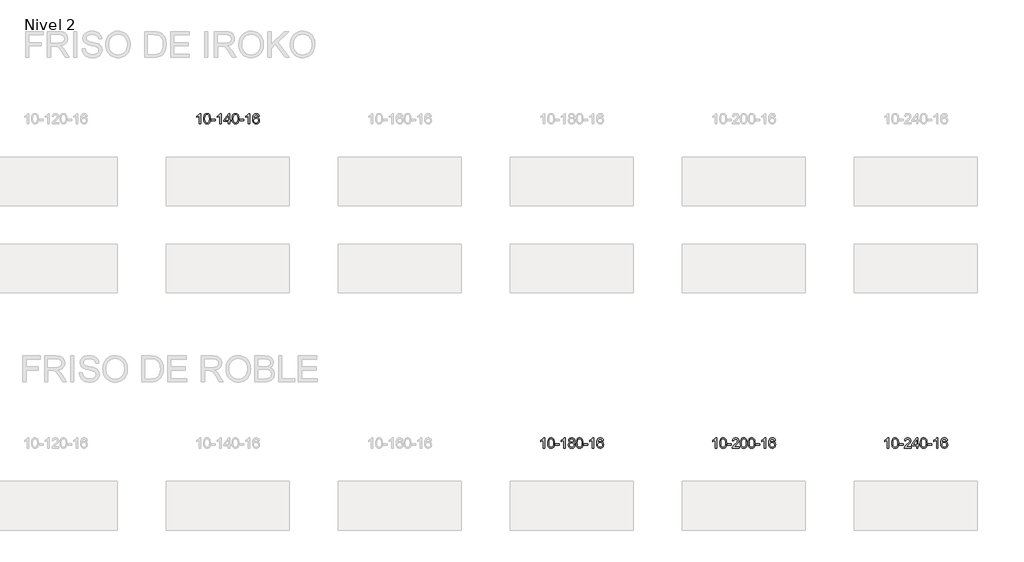
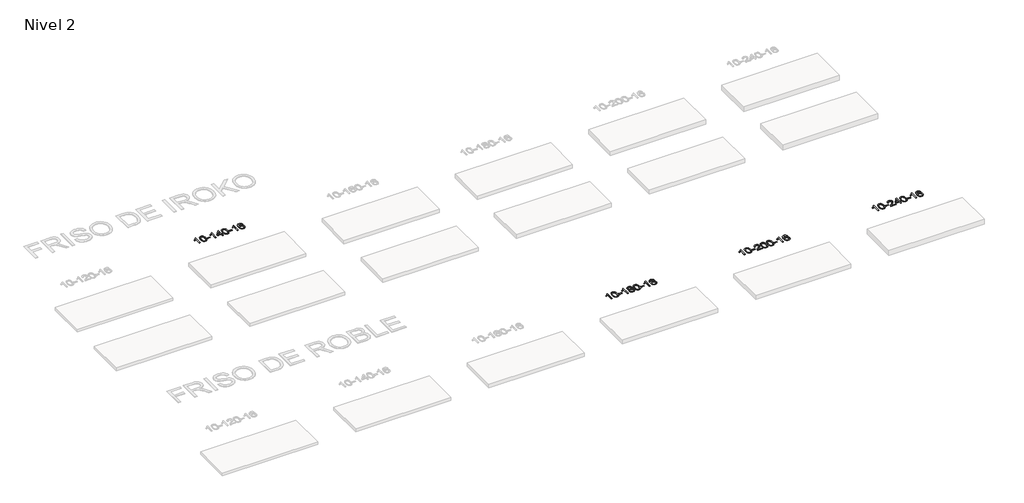
# One storey, part 43 of 51: 4 proxies.
"""IFC4 building model written with IfcOpenShell, lengths in millimetres."""

from ifc_helpers import new_model, si_unit, frame, origin, place, context, project, spatial, polyline, outline, extrude, element, save

model = new_model("IFC4")

# Units and contexts
model_context = context("Model", 3, world=origin())
ifc_project = project(units=[si_unit("LENGTHUNIT", "METRE", prefix="MILLI")], contexts=[model_context])

# Site, building, storey
site = spatial("IfcSite", under=ifc_project)
building = spatial("IfcBuilding", under=site)
storey = spatial("IfcBuildingStorey", under=building, Name="Nivel 2", Elevation=3000.0)

# Proxies
placement = place(None, origin())
element("IfcBuildingElementProxy", 1, Name="Texto de modelo 1", ObjectType="Texto de modelo 1", at=placement, inside=storey, context=model_context, shape_type="SweptSolid", body=[
    extrude(outline(polyline([(31530.5538842, -39113.543941), (31480.3257291, -39113.543941), (31480.3257291, -38800.4027867), (31459.3564554, -38817.3621467), (31432.7463244, -38834.2969812), (31379.869419, -38859.6563134), (31379.869419, -38812.1750106), (31419.3186316, -38790.7152275), (31453.494869, -38765.1842171), (31480.4360937, -38738.0345258), (31498.1802686, -38711.7187004), (31530.5538842, -38711.7187004), (31530.5538842, -39113.543941)])), frame((0.0, 0.0, 3000.0), z_axis=(0.0, 0.0, 1.0), x_axis=(1.0, 0.0, 0.0)), (0.0, 0.0, 1.0), 10.0),
    extrude(outline(polyline([(31649.8457525, -38915.8686823), (31653.5368352, -38851.5506468), (31664.6100833, -38800.2556339), (31682.9551321, -38761.1988288), (31694.8131951, -38745.9654485), (31708.4616171, -38733.5954164), (31723.9463834, -38724.0243532), (31741.3134792, -38717.1878794), (31781.6946596, -38711.7187004), (31812.6457981, -38714.956062), (31840.3595751, -38724.6681467), (31863.5361408, -38740.4748097), (31880.8756455, -38761.9959064), (31893.9722445, -38789.0474958), (31904.4200932, -38821.4456369), (31911.2626983, -38862.5871067), (31913.5435667, -38915.8686823), (31909.8892722, -38979.8188358), (31898.9263887, -39030.9912213), (31880.6917045, -39070.0848147), (31868.8612327, -39085.3641802), (31855.2220077, -39097.7985916), (31839.7188473, -39107.4340342), (31822.2965691, -39114.3164932), (31781.6946596, -39119.8224604), (31754.0299335, -39117.4312275), (31729.5044672, -39110.2575285), (31708.1182606, -39098.3013637), (31689.8713136, -39081.5627329), (31672.3601306, -39051.3044388), (31659.8521428, -39013.6026657), (31652.3473501, -38968.4574135), (31649.8457525, -38915.8686823)]), holes=[polyline([(31700.0739076, -38915.7705804), (31701.5454356, -38959.4351076), (31705.9600195, -38994.7793703), (31713.3176594, -39021.8033685), (31723.6183553, -39040.5071023), (31736.0772922, -39053.2327536), (31749.9096552, -39062.3225046), (31765.1154443, -39067.7763552), (31781.6946596, -39069.5943053), (31798.2738748, -39067.7702238), (31813.479664, -39062.2979791), (31827.312027, -39053.1775713), (31839.7709639, -39040.4090004), (31850.0716598, -39021.6746098), (31857.4292997, -38994.6567429), (31861.8438836, -38959.3553998), (31863.3154116, -38915.7705804), (31861.8929345, -38873.2618159), (31857.6255034, -38838.5398869), (31850.5131181, -38811.6047935), (31840.5557788, -38792.4565356), (31828.3053084, -38779.1085506), (31814.3135298, -38769.5742755), (31798.5804432, -38763.8537105), (31781.1060484, -38761.9468555), (31764.6126723, -38763.62685), (31749.6644005, -38768.6668333), (31736.2612332, -38777.0668055), (31724.4031702, -38788.8267666), (31713.7591178, -38809.673413), (31706.1562232, -38837.7795975), (31701.5944865, -38873.1453199), (31700.0739076, -38915.7705804)])]), frame((0.0, 0.0, 3000.0), z_axis=(0.0, 0.0, 1.0), x_axis=(1.0, 0.0, 0.0)), (0.0, 0.0, 1.0), 10.0),
    extrude(outline(polyline([(31944.9361636, -38994.2520727), (31944.9361636, -38944.0239177), (32101.8991482, -38944.0239177), (32101.8991482, -38994.2520727), (31944.9361636, -38994.2520727)])), frame((0.0, 0.0, 3000.0), z_axis=(0.0, 0.0, 1.0), x_axis=(1.0, 0.0, 0.0)), (0.0, 0.0, 1.0), 10.0),
    extrude(outline(polyline([(32334.2043654, -39113.543941), (32283.9762103, -39113.543941), (32283.9762103, -38800.4027867), (32263.0069366, -38817.3621467), (32236.3968056, -38834.2969812), (32183.5199002, -38859.6563134), (32183.5199002, -38812.1750106), (32222.9691128, -38790.7152275), (32257.1453502, -38765.1842171), (32284.0865749, -38738.0345258), (32301.8307498, -38711.7187004), (32334.2043654, -38711.7187004), (32334.2043654, -39113.543941)])), frame((0.0, 0.0, 3000.0), z_axis=(0.0, 0.0, 1.0), x_axis=(1.0, 0.0, 0.0)), (0.0, 0.0, 1.0), 10.0),
    extrude(outline(polyline([(32616.7377377, -39113.543941), (32616.7377377, -39019.3661503), (32434.6606756, -39019.3661503), (32434.6606756, -38969.1379952), (32629.2947765, -38717.9972198), (32666.9658928, -38717.9972198), (32666.9658928, -38969.1379952), (32717.1940479, -38969.1379952), (32717.1940479, -39019.3661503), (32666.9658928, -39019.3661503), (32666.9658928, -39113.543941), (32616.7377377, -39113.543941)]), holes=[polyline([(32616.7377377, -38969.1379952), (32616.7377377, -38813.9408442), (32496.4648507, -38969.1379952), (32616.7377377, -38969.1379952)])]), frame((0.0, 0.0, 3000.0), z_axis=(0.0, 0.0, 1.0), x_axis=(1.0, 0.0, 0.0)), (0.0, 0.0, 1.0), 10.0),
    extrude(outline(polyline([(32761.1436835, -38915.8686823), (32764.8347662, -38851.5506468), (32775.9080143, -38800.2556339), (32794.2530631, -38761.1988288), (32806.1111261, -38745.9654485), (32819.7595481, -38733.5954164), (32835.2443144, -38724.0243532), (32852.6114103, -38717.1878794), (32892.9925906, -38711.7187004), (32923.9437291, -38714.956062), (32951.6575061, -38724.6681467), (32974.8340718, -38740.4748097), (32992.1735765, -38761.9959064), (33005.2701755, -38789.0474958), (33015.7180242, -38821.4456369), (33022.5606293, -38862.5871067), (33024.8414977, -38915.8686823), (33021.1872032, -38979.8188358), (33010.2243197, -39030.9912213), (32991.9896355, -39070.0848147), (32980.1591637, -39085.3641802), (32966.5199387, -39097.7985916), (32951.0167783, -39107.4340342), (32933.5945001, -39114.3164932), (32892.9925906, -39119.8224604), (32865.3278646, -39117.4312275), (32840.8023982, -39110.2575285), (32819.4161916, -39098.3013637), (32801.1692446, -39081.5627329), (32783.6580616, -39051.3044388), (32771.1500738, -39013.6026657), (32763.6452811, -38968.4574135), (32761.1436835, -38915.8686823)]), holes=[polyline([(32811.3718386, -38915.7705804), (32812.8433666, -38959.4351076), (32817.2579505, -38994.7793703), (32824.6155904, -39021.8033685), (32834.9162863, -39040.5071023), (32847.3752232, -39053.2327536), (32861.2075862, -39062.3225046), (32876.4133754, -39067.7763552), (32892.9925906, -39069.5943053), (32909.5718059, -39067.7702238), (32924.777595, -39062.2979791), (32938.609958, -39053.1775713), (32951.0688949, -39040.4090004), (32961.3695908, -39021.6746098), (32968.7272307, -38994.6567429), (32973.1418146, -38959.3553998), (32974.6133426, -38915.7705804), (32973.1908656, -38873.2618159), (32968.9234344, -38838.5398869), (32961.8110492, -38811.6047935), (32951.8537098, -38792.4565356), (32939.6032394, -38779.1085506), (32925.6114609, -38769.5742755), (32909.8783742, -38763.8537105), (32892.4039794, -38761.9468555), (32875.9106033, -38763.62685), (32860.9623316, -38768.6668333), (32847.5591642, -38777.0668055), (32835.7011012, -38788.8267666), (32825.0570488, -38809.673413), (32817.4541543, -38837.7795975), (32812.8924175, -38873.1453199), (32811.3718386, -38915.7705804)])]), frame((0.0, 0.0, 3000.0), z_axis=(0.0, 0.0, 1.0), x_axis=(1.0, 0.0, 0.0)), (0.0, 0.0, 1.0), 10.0),
    extrude(outline(polyline([(33056.2340946, -38994.2520727), (33056.2340946, -38944.0239177), (33213.1970792, -38944.0239177), (33213.1970792, -38994.2520727), (33056.2340946, -38994.2520727)])), frame((0.0, 0.0, 3000.0), z_axis=(0.0, 0.0, 1.0), x_axis=(1.0, 0.0, 0.0)), (0.0, 0.0, 1.0), 10.0),
    extrude(outline(polyline([(33445.5022964, -39113.543941), (33395.2741414, -39113.543941), (33395.2741414, -38800.4027867), (33374.3048676, -38817.3621467), (33347.6947367, -38834.2969812), (33294.8178312, -38859.6563134), (33294.8178312, -38812.1750106), (33334.2670438, -38790.7152275), (33368.4432812, -38765.1842171), (33395.384506, -38738.0345258), (33413.1286809, -38711.7187004), (33445.5022964, -38711.7187004), (33445.5022964, -39113.543941)])), frame((0.0, 0.0, 3000.0), z_axis=(0.0, 0.0, 1.0), x_axis=(1.0, 0.0, 0.0)), (0.0, 0.0, 1.0), 10.0),
    extrude(outline(polyline([(33822.2134595, -38818.45353), (33771.9853044, -38824.7320494), (33763.8919005, -38799.838701), (33752.9535425, -38782.8425528), (33730.1693843, -38767.1707798), (33702.6272856, -38761.9468555), (33679.2790416, -38764.9880133), (33657.3042238, -38774.1114868), (33638.4318774, -38793.3271897), (33623.0176218, -38819.7779052), (33612.6065614, -38857.1915041), (33608.7438004, -38909.2958573), (33628.891471, -38885.7881978), (33653.0367927, -38869.2212453), (33679.8308646, -38859.398796), (33707.9247863, -38856.1246463), (33732.0578452, -38858.3625951), (33754.3269687, -38865.0764415), (33774.7321567, -38876.2661855), (33793.2734092, -38891.9318271), (33808.6815334, -38911.1413987), (33819.6873365, -38932.9629323), (33826.2908183, -38957.3964282), (33828.4919789, -38984.4418862), (33824.3471751, -39020.4084826), (33811.9127636, -39053.7508541), (33792.2188142, -39082.0287168), (33766.2953962, -39102.8017868), (33735.3197322, -39115.567292), (33700.4690446, -39119.8224604), (33670.5265158, -39117.0020318), (33643.4841235, -39108.5407459), (33619.3418676, -39094.4386028), (33598.099748, -39074.6956023), (33580.7817031, -39048.4778788), (33568.411671, -39014.9515663), (33560.9896518, -38974.1166649), (33558.5156454, -38925.9731744), (33561.2624976, -38871.9987544), (33569.5030543, -38825.9337972), (33583.2373154, -38787.7783029), (33602.465281, -38757.5322716), (33623.3057961, -38737.4888342), (33647.4695118, -38723.1720932), (33674.9564282, -38714.5820486), (33705.7665453, -38711.7187004), (33728.9001914, -38713.4906654), (33749.8388083, -38718.8065602), (33768.582396, -38727.6663849), (33785.1309544, -38740.0701395), (33799.0368938, -38755.6008911), (33809.8526245, -38773.8417067), (33817.5781464, -38794.7925863), (33822.2134595, -38818.45353)]), holes=[polyline([(33608.7438004, -38983.6570713), (33611.6500682, -39005.913932), (33620.3688715, -39027.1652486), (33633.9069289, -39045.436721), (33651.2709591, -39058.7540492), (33672.2279701, -39066.8842413), (33696.5449699, -39069.5943053), (33729.6911377, -39063.9779736), (33743.6062742, -39056.9575588), (33755.7494457, -39047.1289782), (33765.5994861, -39034.8907705), (33772.6352293, -39020.6414745), (33778.2638238, -38986.1096179), (33772.7088057, -38952.9634501), (33765.765033, -38939.3426193), (33756.0437513, -38927.6899571), (33743.8637916, -38918.3549514), (33729.5439849, -38911.6870903), (33694.4848308, -38906.3528014), (33661.3877139, -38911.6870903), (33633.7107252, -38927.6899571), (33622.7876956, -38939.1893351), (33614.9855316, -38952.3503135), (33610.3042332, -38967.1728922), (33608.7438004, -38983.6570713)])]), frame((0.0, 0.0, 3000.0), z_axis=(0.0, 0.0, 1.0), x_axis=(1.0, 0.0, 0.0)), (0.0, 0.0, 1.0), 10.0),
])
element("IfcBuildingElementProxy", 2, Name="Texto de modelo 1", ObjectType="Texto de modelo 1", at=placement, inside=storey, context=model_context, shape_type="SweptSolid", body=[
    extrude(outline(polyline([(44960.4349539, -51771.9246439), (44910.2067988, -51771.9246439), (44910.2067988, -51458.7834896), (44889.2375251, -51475.7428496), (44862.6273941, -51492.6776841), (44809.7504886, -51518.0370163), (44809.7504886, -51470.5557135), (44849.1997013, -51449.0959304), (44883.3759386, -51423.56492), (44910.3171634, -51396.4152287), (44928.0613383, -51370.0994033), (44960.4349539, -51370.0994033), (44960.4349539, -51771.9246439)])), frame((0.0, 0.0, 3000.0), z_axis=(0.0, 0.0, 1.0), x_axis=(1.0, 0.0, 0.0)), (0.0, 0.0, 1.0), 10.0),
    extrude(outline(polyline([(45079.7268222, -51574.2493852), (45083.4179048, -51509.9313497), (45094.4911529, -51458.6363368), (45112.8362017, -51419.5795317), (45124.6942647, -51404.3461514), (45138.3426867, -51391.9761193), (45153.827453, -51382.4050561), (45171.1945489, -51375.5685823), (45211.5757292, -51370.0994033), (45242.5268678, -51373.3367649), (45270.2406447, -51383.0488496), (45293.4172104, -51398.8555126), (45310.7567151, -51420.3766093), (45323.8533142, -51447.4281987), (45334.3011628, -51479.8263398), (45341.1437679, -51520.9678096), (45343.4246363, -51574.2493852), (45339.7703418, -51638.1995387), (45328.8074584, -51689.3719242), (45310.5727741, -51728.4655176), (45298.7423023, -51743.7448831), (45285.1030773, -51756.1792945), (45269.5999169, -51765.8147371), (45252.1776388, -51772.6971961), (45211.5757292, -51778.2031633), (45183.9110032, -51775.8119304), (45159.3855369, -51768.6382314), (45137.9993302, -51756.6820666), (45119.7523832, -51739.9434358), (45102.2412003, -51709.6851417), (45089.7332124, -51671.9833686), (45082.2284197, -51626.8381164), (45079.7268222, -51574.2493852)]), holes=[polyline([(45129.9549772, -51574.1512833), (45131.4265052, -51617.8158105), (45135.8410892, -51653.1600732), (45143.1987291, -51680.1840714), (45153.4994249, -51698.8878052), (45165.9583618, -51711.6134565), (45179.7907249, -51720.7032075), (45194.996514, -51726.1570581), (45211.5757292, -51727.9750082), (45228.1549445, -51726.1509267), (45243.3607336, -51720.678682), (45257.1930966, -51711.5582742), (45269.6520335, -51698.7897033), (45279.9527294, -51680.0553127), (45287.3103693, -51653.0374458), (45291.7249532, -51617.7361027), (45293.1964812, -51574.1512833), (45291.7740042, -51531.6425188), (45287.506573, -51496.9205898), (45280.3941878, -51469.9854964), (45270.4368485, -51450.8372385), (45258.186378, -51437.4892535), (45244.1945995, -51427.9549784), (45228.4615128, -51422.2344134), (45210.987118, -51420.3275584), (45194.4937419, -51422.0075529), (45179.5454702, -51427.0475362), (45166.1423028, -51435.4475084), (45154.2842399, -51447.2074695), (45143.6401875, -51468.0541159), (45136.0372929, -51496.1603004), (45131.4755562, -51531.5260228), (45129.9549772, -51574.1512833)])]), frame((0.0, 0.0, 3000.0), z_axis=(0.0, 0.0, 1.0), x_axis=(1.0, 0.0, 0.0)), (0.0, 0.0, 1.0), 10.0),
    extrude(outline(polyline([(45374.8172332, -51652.6327756), (45374.8172332, -51602.4046206), (45531.7802178, -51602.4046206), (45531.7802178, -51652.6327756), (45374.8172332, -51652.6327756)])), frame((0.0, 0.0, 3000.0), z_axis=(0.0, 0.0, 1.0), x_axis=(1.0, 0.0, 0.0)), (0.0, 0.0, 1.0), 10.0),
    extrude(outline(polyline([(45764.0854351, -51771.9246439), (45713.85728, -51771.9246439), (45713.85728, -51458.7834896), (45692.8880063, -51475.7428496), (45666.2778753, -51492.6776841), (45613.4009698, -51518.0370163), (45613.4009698, -51470.5557135), (45652.8501824, -51449.0959304), (45687.0264198, -51423.56492), (45713.9676446, -51396.4152287), (45731.7118195, -51370.0994033), (45764.0854351, -51370.0994033), (45764.0854351, -51771.9246439)])), frame((0.0, 0.0, 3000.0), z_axis=(0.0, 0.0, 1.0), x_axis=(1.0, 0.0, 0.0)), (0.0, 0.0, 1.0), 10.0),
    extrude(outline(polyline([(45956.5612949, -51550.6068356), (45929.6691211, -51537.3630838), (45910.7967747, -51519.4104424), (45899.6499503, -51497.1167935), (45895.9343421, -51470.8500191), (45897.9576931, -51450.3651233), (45904.027746, -51431.5847475), (45914.1445009, -51414.5088915), (45928.3079577, -51399.1375555), (45945.8375348, -51386.4333639), (45966.0526504, -51377.3589414), (45988.9533046, -51371.9142878), (46014.5394974, -51370.0994033), (46040.2483175, -51371.9572074), (46063.3206499, -51377.5306196), (46083.7564948, -51386.81964), (46101.555852, -51399.8242685), (46115.9768262, -51415.4960415), (46126.277522, -51432.7864953), (46132.4579396, -51451.6956299), (46134.5180787, -51472.2234452), (46130.8515215, -51497.6440911), (46119.8518499, -51519.5575952), (46101.3964364, -51537.399872), (46075.3626539, -51550.6068356), (46106.2770042, -51566.536126), (46128.7791196, -51589.9947346), (46142.501118, -51619.8544899), (46147.0751175, -51654.9872204), (46144.8065119, -51680.0399843), (46138.000695, -51703.0080835), (46126.6576668, -51723.8915181), (46110.7774273, -51742.6902881), (46091.1938424, -51758.227171), (46068.740778, -51769.3249445), (46043.418234, -51775.9836086), (46015.2262104, -51778.2031633), (45987.0341869, -51775.9744116), (45961.7116429, -51769.2881563), (45939.2585784, -51758.1443975), (45919.6749936, -51742.5431353), (45903.7947541, -51723.6125409), (45892.4517259, -51702.480786), (45885.645909, -51679.1478704), (45883.3773034, -51653.6137943), (45888.1352438, -51617.1199004), (45902.4090652, -51587.1007296), (45925.4630036, -51564.5863515), (45956.5612949, -51550.6068356)]), holes=[polyline([(45946.1624972, -51472.3215471), (45950.6138693, -51494.247314), (45963.9679858, -51511.7584969), (45985.832439, -51523.2364152), (46015.8148216, -51527.0623879), (46045.0982284, -51523.2609407), (46066.6315879, -51511.8565988), (46079.8753397, -51494.934027), (46084.2899237, -51474.57789), (46079.7281869, -51453.4492007), (46066.0429767, -51435.9748059), (46044.2153117, -51424.2393703), (46015.2262104, -51420.3275584), (45986.0531682, -51424.1535312), (45964.2622914, -51435.6314494), (45950.6874457, -51452.4559193), (45946.1624972, -51472.3215471)]), polyline([(45933.6054584, -51651.8479607), (45935.7023858, -51671.0636636), (45941.9931679, -51689.6662298), (45953.6059762, -51705.8898258), (45971.6689822, -51717.968618), (45993.3004435, -51725.4734107), (46015.6186179, -51727.9750082), (46049.807118, -51722.7142957), (46063.7007947, -51716.1384051), (46075.4607558, -51706.9321581), (46091.5004108, -51683.0320912), (46096.8469624, -51653.4175906), (46091.3287325, -51623.3003179), (46074.7740427, -51598.8729534), (46062.6952505, -51589.4306489), (46048.5317937, -51582.6861456), (46013.9508862, -51577.290543), (45980.2406327, -51582.6125692), (45966.5033059, -51589.265102), (45954.8445123, -51598.5786478), (45938.9152219, -51622.5400284), (45933.6054584, -51651.8479607)])]), frame((0.0, 0.0, 3000.0), z_axis=(0.0, 0.0, 1.0), x_axis=(1.0, 0.0, 0.0)), (0.0, 0.0, 1.0), 10.0),
    extrude(outline(polyline([(46191.0247532, -51574.2493852), (46194.7158359, -51509.9313497), (46205.7890839, -51458.6363368), (46224.1341328, -51419.5795317), (46235.9921957, -51404.3461514), (46249.6406178, -51391.9761193), (46265.1253841, -51382.4050561), (46282.4924799, -51375.5685823), (46322.8736603, -51370.0994033), (46353.8247988, -51373.3367649), (46381.5385758, -51383.0488496), (46404.7151415, -51398.8555126), (46422.0546462, -51420.3766093), (46435.1512452, -51447.4281987), (46445.5990939, -51479.8263398), (46452.441699, -51520.9678096), (46454.7225673, -51574.2493852), (46451.0682729, -51638.1995387), (46440.1053894, -51689.3719242), (46421.8707052, -51728.4655176), (46410.0402333, -51743.7448831), (46396.4010084, -51756.1792945), (46380.897848, -51765.8147371), (46363.4755698, -51772.6971961), (46322.8736603, -51778.2031633), (46295.2089342, -51775.8119304), (46270.6834679, -51768.6382314), (46249.2972612, -51756.6820666), (46231.0503143, -51739.9434358), (46213.5391313, -51709.6851417), (46201.0311435, -51671.9833686), (46193.5263508, -51626.8381164), (46191.0247532, -51574.2493852)]), holes=[polyline([(46241.2529083, -51574.1512833), (46242.7244362, -51617.8158105), (46247.1390202, -51653.1600732), (46254.4966601, -51680.1840714), (46264.797356, -51698.8878052), (46277.2562929, -51711.6134565), (46291.0886559, -51720.7032075), (46306.294445, -51726.1570581), (46322.8736603, -51727.9750082), (46339.4528755, -51726.1509267), (46354.6586646, -51720.678682), (46368.4910277, -51711.5582742), (46380.9499646, -51698.7897033), (46391.2506604, -51680.0553127), (46398.6083003, -51653.0374458), (46403.0228843, -51617.7361027), (46404.4944123, -51574.1512833), (46403.0719352, -51531.6425188), (46398.8045041, -51496.9205898), (46391.6921188, -51469.9854964), (46381.7347795, -51450.8372385), (46369.4843091, -51437.4892535), (46355.4925305, -51427.9549784), (46339.7594438, -51422.2344134), (46322.2850491, -51420.3275584), (46305.791673, -51422.0075529), (46290.8434012, -51427.0475362), (46277.4402339, -51435.4475084), (46265.5821709, -51447.2074695), (46254.9381185, -51468.0541159), (46247.3352239, -51496.1603004), (46242.7734872, -51531.5260228), (46241.2529083, -51574.1512833)])]), frame((0.0, 0.0, 3000.0), z_axis=(0.0, 0.0, 1.0), x_axis=(1.0, 0.0, 0.0)), (0.0, 0.0, 1.0), 10.0),
    extrude(outline(polyline([(46486.1151643, -51652.6327756), (46486.1151643, -51602.4046206), (46643.0781489, -51602.4046206), (46643.0781489, -51652.6327756), (46486.1151643, -51652.6327756)])), frame((0.0, 0.0, 3000.0), z_axis=(0.0, 0.0, 1.0), x_axis=(1.0, 0.0, 0.0)), (0.0, 0.0, 1.0), 10.0),
    extrude(outline(polyline([(46875.3833661, -51771.9246439), (46825.155211, -51771.9246439), (46825.155211, -51458.7834896), (46804.1859373, -51475.7428496), (46777.5758063, -51492.6776841), (46724.6989009, -51518.0370163), (46724.6989009, -51470.5557135), (46764.1481135, -51449.0959304), (46798.3243508, -51423.56492), (46825.2655756, -51396.4152287), (46843.0097505, -51370.0994033), (46875.3833661, -51370.0994033), (46875.3833661, -51771.9246439)])), frame((0.0, 0.0, 3000.0), z_axis=(0.0, 0.0, 1.0), x_axis=(1.0, 0.0, 0.0)), (0.0, 0.0, 1.0), 10.0),
    extrude(outline(polyline([(47252.0945291, -51476.8342329), (47201.8663741, -51483.1127523), (47193.7729702, -51458.2194039), (47182.8346122, -51441.2232557), (47160.050454, -51425.5514827), (47132.5083552, -51420.3275584), (47109.1601113, -51423.3687162), (47087.1852934, -51432.4921897), (47068.3129471, -51451.7078926), (47052.8986915, -51478.1586081), (47042.487631, -51515.572207), (47038.6248701, -51567.6765602), (47058.7725407, -51544.1689007), (47082.9178623, -51527.6019482), (47109.7119343, -51517.7794989), (47137.805856, -51514.5053492), (47161.9389149, -51516.743298), (47184.2080383, -51523.4571444), (47204.6132263, -51534.6468884), (47223.1544789, -51550.31253), (47238.5626031, -51569.5221016), (47249.5684061, -51591.3436352), (47256.1718879, -51615.7771311), (47258.3730485, -51642.8225891), (47254.2282447, -51678.7891855), (47241.7938333, -51712.131557), (47222.0998838, -51740.4094197), (47196.1764659, -51761.1824897), (47165.2008019, -51773.9479949), (47130.3501142, -51778.2031633), (47100.4075855, -51775.3827347), (47073.3651932, -51766.9214488), (47049.2229372, -51752.8193057), (47027.9808177, -51733.0763052), (47010.6627728, -51706.8585817), (46998.2927407, -51673.3322692), (46990.8707214, -51632.4973678), (46988.396715, -51584.3538773), (46991.1435672, -51530.3794573), (46999.3841239, -51484.3145001), (47013.1183851, -51446.1590058), (47032.3463507, -51415.9129745), (47053.1868657, -51395.8695371), (47077.3505814, -51381.5527961), (47104.8374978, -51372.9627515), (47135.6476149, -51370.0994033), (47158.7812611, -51371.8713683), (47179.719878, -51377.1872631), (47198.4634656, -51386.0470878), (47215.012024, -51398.4508424), (47228.9179635, -51413.981594), (47239.7336941, -51432.2224096), (47247.459216, -51453.1732892), (47252.0945291, -51476.8342329)]), holes=[polyline([(47038.6248701, -51642.0377742), (47041.5311378, -51664.2946349), (47050.2499411, -51685.5459515), (47063.7879986, -51703.8174239), (47081.1520287, -51717.1347521), (47102.1090397, -51725.2649442), (47126.4260396, -51727.9750082), (47159.5722074, -51722.3586765), (47173.4873438, -51715.3382617), (47185.6305154, -51705.5096811), (47195.4805558, -51693.2714734), (47202.5162989, -51679.0221774), (47208.1448935, -51644.4903208), (47202.5898753, -51611.344153), (47195.6461027, -51597.7233222), (47185.9248209, -51586.07066), (47173.7448612, -51576.7356543), (47159.4250546, -51570.0677932), (47124.3659004, -51564.7335043), (47091.2687836, -51570.0677932), (47063.5917948, -51586.07066), (47052.6687652, -51597.570038), (47044.8666013, -51610.7310164), (47040.1853029, -51625.5535951), (47038.6248701, -51642.0377742)])]), frame((0.0, 0.0, 3000.0), z_axis=(0.0, 0.0, 1.0), x_axis=(1.0, 0.0, 0.0)), (0.0, 0.0, 1.0), 10.0),
])
element("IfcBuildingElementProxy", 3, Name="Texto de modelo 1", ObjectType="Texto de modelo 1", at=placement, inside=storey, context=model_context, shape_type="SweptSolid", body=[
    extrude(outline(polyline([(51675.3754887, -51771.9246439), (51625.1473336, -51771.9246439), (51625.1473336, -51458.7834896), (51604.1780599, -51475.7428496), (51577.5679289, -51492.6776841), (51524.6910235, -51518.0370163), (51524.6910235, -51470.5557135), (51564.1402361, -51449.0959304), (51598.3164734, -51423.56492), (51625.2576982, -51396.4152287), (51643.0018731, -51370.0994033), (51675.3754887, -51370.0994033), (51675.3754887, -51771.9246439)])), frame((0.0, 0.0, 3000.0), z_axis=(0.0, 0.0, 1.0), x_axis=(1.0, 0.0, 0.0)), (0.0, 0.0, 1.0), 10.0),
    extrude(outline(polyline([(51794.667357, -51574.2493852), (51798.3584397, -51509.9313497), (51809.4316877, -51458.6363368), (51827.7767366, -51419.5795317), (51839.6347995, -51404.3461514), (51853.2832216, -51391.9761193), (51868.7679879, -51382.4050561), (51886.1350837, -51375.5685823), (51926.5162641, -51370.0994033), (51957.4674026, -51373.3367649), (51985.1811796, -51383.0488496), (52008.3577453, -51398.8555126), (52025.69725, -51420.3766093), (52038.793849, -51447.4281987), (52049.2416976, -51479.8263398), (52056.0843028, -51520.9678096), (52058.3651711, -51574.2493852), (52054.7108766, -51638.1995387), (52043.7479932, -51689.3719242), (52025.513309, -51728.4655176), (52013.6828371, -51743.7448831), (52000.0436122, -51756.1792945), (51984.5404517, -51765.8147371), (51967.1181736, -51772.6971961), (51926.5162641, -51778.2031633), (51898.851538, -51775.8119304), (51874.3260717, -51768.6382314), (51852.939865, -51756.6820666), (51834.6929181, -51739.9434358), (51817.1817351, -51709.6851417), (51804.6737473, -51671.9833686), (51797.1689546, -51626.8381164), (51794.667357, -51574.2493852)]), holes=[polyline([(51844.8955121, -51574.1512833), (51846.36704, -51617.8158105), (51850.781624, -51653.1600732), (51858.1392639, -51680.1840714), (51868.4399598, -51698.8878052), (51880.8988967, -51711.6134565), (51894.7312597, -51720.7032075), (51909.9370488, -51726.1570581), (51926.5162641, -51727.9750082), (51943.0954793, -51726.1509267), (51958.3012684, -51720.678682), (51972.1336315, -51711.5582742), (51984.5925684, -51698.7897033), (51994.8932642, -51680.0553127), (52002.2509041, -51653.0374458), (52006.6654881, -51617.7361027), (52008.1370161, -51574.1512833), (52006.714539, -51531.6425188), (52002.4471079, -51496.9205898), (51995.3347226, -51469.9854964), (51985.3773833, -51450.8372385), (51973.1269128, -51437.4892535), (51959.1351343, -51427.9549784), (51943.4020476, -51422.2344134), (51925.9276529, -51420.3275584), (51909.4342767, -51422.0075529), (51894.486005, -51427.0475362), (51881.0828377, -51435.4475084), (51869.2247747, -51447.2074695), (51858.5807223, -51468.0541159), (51850.9778277, -51496.1603004), (51846.416091, -51531.5260228), (51844.8955121, -51574.1512833)])]), frame((0.0, 0.0, 3000.0), z_axis=(0.0, 0.0, 1.0), x_axis=(1.0, 0.0, 0.0)), (0.0, 0.0, 1.0), 10.0),
    extrude(outline(polyline([(52089.7577681, -51652.6327756), (52089.7577681, -51602.4046206), (52246.7207527, -51602.4046206), (52246.7207527, -51652.6327756), (52089.7577681, -51652.6327756)])), frame((0.0, 0.0, 3000.0), z_axis=(0.0, 0.0, 1.0), x_axis=(1.0, 0.0, 0.0)), (0.0, 0.0, 1.0), 10.0),
    extrude(outline(polyline([(52548.0896831, -51721.6964889), (52548.0896831, -51771.9246439), (52284.391869, -51771.9246439), (52285.495515, -51754.2417827), (52289.7874716, -51737.2946855), (52302.1728321, -51710.2308333), (52320.2971517, -51683.9763216), (52346.5148752, -51656.4955366), (52383.1804474, -51625.7528645), (52437.381728, -51577.6093741), (52469.9024964, -51542.0719734), (52486.1628806, -51513.2300249), (52491.5830087, -51485.1728914), (52486.4694489, -51460.0220257), (52471.1287697, -51439.1140656), (52447.5475338, -51425.0241852), (52417.712304, -51420.3275584), (52386.3810208, -51424.9138206), (52362.0394954, -51438.6726072), (52346.3309342, -51460.5247978), (52340.8985434, -51489.3912716), (52290.6703884, -51483.1127523), (52294.9899361, -51457.183203), (52302.8472824, -51434.5278034), (52314.2424272, -51415.1465536), (52329.1753705, -51399.0394536), (52347.3027558, -51386.3781816), (52368.2812266, -51377.3344159), (52392.1107828, -51371.9081565), (52418.7914245, -51370.0994033), (52445.7111895, -51372.1104916), (52469.6695045, -51378.1437563), (52490.6663693, -51388.1991975), (52508.7017842, -51402.2768152), (52523.1871377, -51419.334277), (52533.5338188, -51438.3292507), (52539.7418275, -51459.2617362), (52541.8111637, -51482.1317336), (52539.5793463, -51506.1544279), (52532.883894, -51529.7601892), (52521.0013055, -51553.7706208), (52503.2080797, -51579.0073257), (52474.8443779, -51609.1368611), (52431.2503614, -51647.8257842), (52373.4683627, -51696.1409529), (52350.8068318, -51721.6964889), (52548.0896831, -51721.6964889)])), frame((0.0, 0.0, 3000.0), z_axis=(0.0, 0.0, 1.0), x_axis=(1.0, 0.0, 0.0)), (0.0, 0.0, 1.0), 10.0),
    extrude(outline(polyline([(52598.3178382, -51574.2493852), (52602.0089209, -51509.9313497), (52613.0821689, -51458.6363368), (52631.4272177, -51419.5795317), (52643.2852807, -51404.3461514), (52656.9337027, -51391.9761193), (52672.4184691, -51382.4050561), (52689.7855649, -51375.5685823), (52730.1667453, -51370.0994033), (52761.1178838, -51373.3367649), (52788.8316608, -51383.0488496), (52812.0082264, -51398.8555126), (52829.3477312, -51420.3766093), (52842.4443302, -51447.4281987), (52852.8921788, -51479.8263398), (52859.734784, -51520.9678096), (52862.0156523, -51574.2493852), (52858.3613578, -51638.1995387), (52847.3984744, -51689.3719242), (52829.1637902, -51728.4655176), (52817.3333183, -51743.7448831), (52803.6940934, -51756.1792945), (52788.1909329, -51765.8147371), (52770.7686548, -51772.6971961), (52730.1667453, -51778.2031633), (52702.5020192, -51775.8119304), (52677.9765529, -51768.6382314), (52656.5903462, -51756.6820666), (52638.3433993, -51739.9434358), (52620.8322163, -51709.6851417), (52608.3242285, -51671.9833686), (52600.8194358, -51626.8381164), (52598.3178382, -51574.2493852)]), holes=[polyline([(52648.5459933, -51574.1512833), (52650.0175212, -51617.8158105), (52654.4321052, -51653.1600732), (52661.7897451, -51680.1840714), (52672.090441, -51698.8878052), (52684.5493779, -51711.6134565), (52698.3817409, -51720.7032075), (52713.58753, -51726.1570581), (52730.1667453, -51727.9750082), (52746.7459605, -51726.1509267), (52761.9517496, -51720.678682), (52775.7841127, -51711.5582742), (52788.2430496, -51698.7897033), (52798.5437454, -51680.0553127), (52805.9013853, -51653.0374458), (52810.3159693, -51617.7361027), (52811.7874973, -51574.1512833), (52810.3650202, -51531.6425188), (52806.0975891, -51496.9205898), (52798.9852038, -51469.9854964), (52789.0278645, -51450.8372385), (52776.777394, -51437.4892535), (52762.7856155, -51427.9549784), (52747.0525288, -51422.2344134), (52729.5781341, -51420.3275584), (52713.0847579, -51422.0075529), (52698.1364862, -51427.0475362), (52684.7333189, -51435.4475084), (52672.8752559, -51447.2074695), (52662.2312035, -51468.0541159), (52654.6283089, -51496.1603004), (52650.0665722, -51531.5260228), (52648.5459933, -51574.1512833)])]), frame((0.0, 0.0, 3000.0), z_axis=(0.0, 0.0, 1.0), x_axis=(1.0, 0.0, 0.0)), (0.0, 0.0, 1.0), 10.0),
    extrude(outline(polyline([(52905.965288, -51574.2493852), (52909.6563707, -51509.9313497), (52920.7296188, -51458.6363368), (52939.0746676, -51419.5795317), (52950.9327306, -51404.3461514), (52964.5811526, -51391.9761193), (52980.0659189, -51382.4050561), (52997.4330148, -51375.5685823), (53037.8141951, -51370.0994033), (53068.7653336, -51373.3367649), (53096.4791106, -51383.0488496), (53119.6556763, -51398.8555126), (53136.995181, -51420.3766093), (53150.09178, -51447.4281987), (53160.5396287, -51479.8263398), (53167.3822338, -51520.9678096), (53169.6631022, -51574.2493852), (53166.0088077, -51638.1995387), (53155.0459242, -51689.3719242), (53136.81124, -51728.4655176), (53124.9807682, -51743.7448831), (53111.3415432, -51756.1792945), (53095.8383828, -51765.8147371), (53078.4161046, -51772.6971961), (53037.8141951, -51778.2031633), (53010.1494691, -51775.8119304), (52985.6240027, -51768.6382314), (52964.2377961, -51756.6820666), (52945.9908491, -51739.9434358), (52928.4796661, -51709.6851417), (52915.9716783, -51671.9833686), (52908.4668856, -51626.8381164), (52905.965288, -51574.2493852)]), holes=[polyline([(52956.1934431, -51574.1512833), (52957.6649711, -51617.8158105), (52962.079555, -51653.1600732), (52969.4371949, -51680.1840714), (52979.7378908, -51698.8878052), (52992.1968277, -51711.6134565), (53006.0291907, -51720.7032075), (53021.2349798, -51726.1570581), (53037.8141951, -51727.9750082), (53054.3934103, -51726.1509267), (53069.5991995, -51720.678682), (53083.4315625, -51711.5582742), (53095.8904994, -51698.7897033), (53106.1911953, -51680.0553127), (53113.5488352, -51653.0374458), (53117.9634191, -51617.7361027), (53119.4349471, -51574.1512833), (53118.01247, -51531.6425188), (53113.7450389, -51496.9205898), (53106.6326537, -51469.9854964), (53096.6753143, -51450.8372385), (53084.4248439, -51437.4892535), (53070.4330653, -51427.9549784), (53054.6999787, -51422.2344134), (53037.2255839, -51420.3275584), (53020.7322078, -51422.0075529), (53005.783936, -51427.0475362), (52992.3807687, -51435.4475084), (52980.5227057, -51447.2074695), (52969.8786533, -51468.0541159), (52962.2757587, -51496.1603004), (52957.714022, -51531.5260228), (52956.1934431, -51574.1512833)])]), frame((0.0, 0.0, 3000.0), z_axis=(0.0, 0.0, 1.0), x_axis=(1.0, 0.0, 0.0)), (0.0, 0.0, 1.0), 10.0),
    extrude(outline(polyline([(53201.0556991, -51652.6327756), (53201.0556991, -51602.4046206), (53358.0186837, -51602.4046206), (53358.0186837, -51652.6327756), (53201.0556991, -51652.6327756)])), frame((0.0, 0.0, 3000.0), z_axis=(0.0, 0.0, 1.0), x_axis=(1.0, 0.0, 0.0)), (0.0, 0.0, 1.0), 10.0),
    extrude(outline(polyline([(53590.3239009, -51771.9246439), (53540.0957458, -51771.9246439), (53540.0957458, -51458.7834896), (53519.1264721, -51475.7428496), (53492.5163411, -51492.6776841), (53439.6394357, -51518.0370163), (53439.6394357, -51470.5557135), (53479.0886483, -51449.0959304), (53513.2648857, -51423.56492), (53540.2061104, -51396.4152287), (53557.9502853, -51370.0994033), (53590.3239009, -51370.0994033), (53590.3239009, -51771.9246439)])), frame((0.0, 0.0, 3000.0), z_axis=(0.0, 0.0, 1.0), x_axis=(1.0, 0.0, 0.0)), (0.0, 0.0, 1.0), 10.0),
    extrude(outline(polyline([(53967.035064, -51476.8342329), (53916.8069089, -51483.1127523), (53908.713505, -51458.2194039), (53897.775147, -51441.2232557), (53874.9909888, -51425.5514827), (53847.4488901, -51420.3275584), (53824.1006461, -51423.3687162), (53802.1258283, -51432.4921897), (53783.2534819, -51451.7078926), (53767.8392263, -51478.1586081), (53757.4281659, -51515.572207), (53753.5654049, -51567.6765602), (53773.7130755, -51544.1689007), (53797.8583971, -51527.6019482), (53824.6524691, -51517.7794989), (53852.7463908, -51514.5053492), (53876.8794497, -51516.743298), (53899.1485731, -51523.4571444), (53919.5537611, -51534.6468884), (53938.0950137, -51550.31253), (53953.5031379, -51569.5221016), (53964.5089409, -51591.3436352), (53971.1124228, -51615.7771311), (53973.3135834, -51642.8225891), (53969.1687795, -51678.7891855), (53956.7343681, -51712.131557), (53937.0404186, -51740.4094197), (53911.1170007, -51761.1824897), (53880.1413367, -51773.9479949), (53845.290649, -51778.2031633), (53815.3481203, -51775.3827347), (53788.305728, -51766.9214488), (53764.163472, -51752.8193057), (53742.9213525, -51733.0763052), (53725.6033076, -51706.8585817), (53713.2332755, -51673.3322692), (53705.8112562, -51632.4973678), (53703.3372498, -51584.3538773), (53706.0841021, -51530.3794573), (53714.3246588, -51484.3145001), (53728.0589199, -51446.1590058), (53747.2868855, -51415.9129745), (53768.1274005, -51395.8695371), (53792.2911163, -51381.5527961), (53819.7780327, -51372.9627515), (53850.5881498, -51370.0994033), (53873.7217959, -51371.8713683), (53894.6604128, -51377.1872631), (53913.4040004, -51386.0470878), (53929.9525589, -51398.4508424), (53943.8584983, -51413.981594), (53954.6742289, -51432.2224096), (53962.3997508, -51453.1732892), (53967.035064, -51476.8342329)]), holes=[polyline([(53753.5654049, -51642.0377742), (53756.4716727, -51664.2946349), (53765.190476, -51685.5459515), (53778.7285334, -51703.8174239), (53796.0925635, -51717.1347521), (53817.0495745, -51725.2649442), (53841.3665744, -51727.9750082), (53874.5127422, -51722.3586765), (53888.4278787, -51715.3382617), (53900.5710502, -51705.5096811), (53910.4210906, -51693.2714734), (53917.4568338, -51679.0221774), (53923.0854283, -51644.4903208), (53917.5304102, -51611.344153), (53910.5866375, -51597.7233222), (53900.8653558, -51586.07066), (53888.685396, -51576.7356543), (53874.3655894, -51570.0677932), (53839.3064352, -51564.7335043), (53806.2093184, -51570.0677932), (53778.5323296, -51586.07066), (53767.6093001, -51597.570038), (53759.8071361, -51610.7310164), (53755.1258377, -51625.5535951), (53753.5654049, -51642.0377742)])]), frame((0.0, 0.0, 3000.0), z_axis=(0.0, 0.0, 1.0), x_axis=(1.0, 0.0, 0.0)), (0.0, 0.0, 1.0), 10.0),
])
element("IfcBuildingElementProxy", 4, Name="Texto de modelo 1", ObjectType="Texto de modelo 1", at=placement, inside=storey, context=model_context, shape_type="SweptSolid", body=[
    extrude(outline(polyline([(58390.3160235, -51771.9246439), (58340.0878684, -51771.9246439), (58340.0878684, -51458.7834896), (58319.1185947, -51475.7428496), (58292.5084637, -51492.6776841), (58239.6315583, -51518.0370163), (58239.6315583, -51470.5557135), (58279.0807709, -51449.0959304), (58313.2570083, -51423.56492), (58340.198233, -51396.4152287), (58357.9424079, -51370.0994033), (58390.3160235, -51370.0994033), (58390.3160235, -51771.9246439)])), frame((0.0, 0.0, 3000.0), z_axis=(0.0, 0.0, 1.0), x_axis=(1.0, 0.0, 0.0)), (0.0, 0.0, 1.0), 10.0),
    extrude(outline(polyline([(58509.6078918, -51574.2493852), (58513.2989745, -51509.9313497), (58524.3722226, -51458.6363368), (58542.7172714, -51419.5795317), (58554.5753344, -51404.3461514), (58568.2237564, -51391.9761193), (58583.7085227, -51382.4050561), (58601.0756185, -51375.5685823), (58641.4567989, -51370.0994033), (58672.4079374, -51373.3367649), (58700.1217144, -51383.0488496), (58723.2982801, -51398.8555126), (58740.6377848, -51420.3766093), (58753.7343838, -51447.4281987), (58764.1822325, -51479.8263398), (58771.0248376, -51520.9678096), (58773.305706, -51574.2493852), (58769.6514115, -51638.1995387), (58758.688528, -51689.3719242), (58740.4538438, -51728.4655176), (58728.623372, -51743.7448831), (58714.984147, -51756.1792945), (58699.4809866, -51765.8147371), (58682.0587084, -51772.6971961), (58641.4567989, -51778.2031633), (58613.7920728, -51775.8119304), (58589.2666065, -51768.6382314), (58567.8803998, -51756.6820666), (58549.6334529, -51739.9434358), (58532.1222699, -51709.6851417), (58519.6142821, -51671.9833686), (58512.1094894, -51626.8381164), (58509.6078918, -51574.2493852)]), holes=[polyline([(58559.8360469, -51574.1512833), (58561.3075749, -51617.8158105), (58565.7221588, -51653.1600732), (58573.0797987, -51680.1840714), (58583.3804946, -51698.8878052), (58595.8394315, -51711.6134565), (58609.6717945, -51720.7032075), (58624.8775836, -51726.1570581), (58641.4567989, -51727.9750082), (58658.0360141, -51726.1509267), (58673.2418033, -51720.678682), (58687.0741663, -51711.5582742), (58699.5331032, -51698.7897033), (58709.8337991, -51680.0553127), (58717.191439, -51653.0374458), (58721.6060229, -51617.7361027), (58723.0775509, -51574.1512833), (58721.6550738, -51531.6425188), (58717.3876427, -51496.9205898), (58710.2752574, -51469.9854964), (58700.3179181, -51450.8372385), (58688.0674477, -51437.4892535), (58674.0756691, -51427.9549784), (58658.3425825, -51422.2344134), (58640.8681877, -51420.3275584), (58624.3748116, -51422.0075529), (58609.4265398, -51427.0475362), (58596.0233725, -51435.4475084), (58584.1653095, -51447.2074695), (58573.5212571, -51468.0541159), (58565.9183625, -51496.1603004), (58561.3566258, -51531.5260228), (58559.8360469, -51574.1512833)])]), frame((0.0, 0.0, 3000.0), z_axis=(0.0, 0.0, 1.0), x_axis=(1.0, 0.0, 0.0)), (0.0, 0.0, 1.0), 10.0),
    extrude(outline(polyline([(58804.6983029, -51652.6327756), (58804.6983029, -51602.4046206), (58961.6612875, -51602.4046206), (58961.6612875, -51652.6327756), (58804.6983029, -51652.6327756)])), frame((0.0, 0.0, 3000.0), z_axis=(0.0, 0.0, 1.0), x_axis=(1.0, 0.0, 0.0)), (0.0, 0.0, 1.0), 10.0),
    extrude(outline(polyline([(59263.0302179, -51721.6964889), (59263.0302179, -51771.9246439), (58999.3324038, -51771.9246439), (59000.4360498, -51754.2417827), (59004.7280064, -51737.2946855), (59017.1133669, -51710.2308333), (59035.2376865, -51683.9763216), (59061.45541, -51656.4955366), (59098.1209822, -51625.7528645), (59152.3222629, -51577.6093741), (59184.8430312, -51542.0719734), (59201.1034154, -51513.2300249), (59206.5235435, -51485.1728914), (59201.4099837, -51460.0220257), (59186.0693045, -51439.1140656), (59162.4880687, -51425.0241852), (59132.6528388, -51420.3275584), (59101.3215556, -51424.9138206), (59076.9800302, -51438.6726072), (59061.271469, -51460.5247978), (59055.8390783, -51489.3912716), (59005.6109232, -51483.1127523), (59009.9304709, -51457.183203), (59017.7878172, -51434.5278034), (59029.182962, -51415.1465536), (59044.1159053, -51399.0394536), (59062.2432906, -51386.3781816), (59083.2217614, -51377.3344159), (59107.0513177, -51371.9081565), (59133.7319594, -51370.0994033), (59160.6517244, -51372.1104916), (59184.6100393, -51378.1437563), (59205.6069042, -51388.1991975), (59223.642319, -51402.2768152), (59238.1276725, -51419.334277), (59248.4743537, -51438.3292507), (59254.6823623, -51459.2617362), (59256.7516985, -51482.1317336), (59254.5198811, -51506.1544279), (59247.8244288, -51529.7601892), (59235.9418404, -51553.7706208), (59218.1486145, -51579.0073257), (59189.7849127, -51609.1368611), (59146.1908963, -51647.8257842), (59088.4088976, -51696.1409529), (59065.7473667, -51721.6964889), (59263.0302179, -51721.6964889)])), frame((0.0, 0.0, 3000.0), z_axis=(0.0, 0.0, 1.0), x_axis=(1.0, 0.0, 0.0)), (0.0, 0.0, 1.0), 10.0),
    extrude(outline(polyline([(59476.499877, -51771.9246439), (59476.499877, -51677.7468532), (59294.4228149, -51677.7468532), (59294.4228149, -51627.5186981), (59489.0569158, -51376.3779227), (59526.7280321, -51376.3779227), (59526.7280321, -51627.5186981), (59576.9561872, -51627.5186981), (59576.9561872, -51677.7468532), (59526.7280321, -51677.7468532), (59526.7280321, -51771.9246439), (59476.499877, -51771.9246439)]), holes=[polyline([(59476.499877, -51627.5186981), (59476.499877, -51472.3215471), (59356.22699, -51627.5186981), (59476.499877, -51627.5186981)])]), frame((0.0, 0.0, 3000.0), z_axis=(0.0, 0.0, 1.0), x_axis=(1.0, 0.0, 0.0)), (0.0, 0.0, 1.0), 10.0),
    extrude(outline(polyline([(59620.9058228, -51574.2493852), (59624.5969055, -51509.9313497), (59635.6701536, -51458.6363368), (59654.0152024, -51419.5795317), (59665.8732654, -51404.3461514), (59679.5216874, -51391.9761193), (59695.0064537, -51382.4050561), (59712.3735496, -51375.5685823), (59752.7547299, -51370.0994033), (59783.7058684, -51373.3367649), (59811.4196454, -51383.0488496), (59834.5962111, -51398.8555126), (59851.9357158, -51420.3766093), (59865.0323148, -51447.4281987), (59875.4801635, -51479.8263398), (59882.3227686, -51520.9678096), (59884.603637, -51574.2493852), (59880.9493425, -51638.1995387), (59869.986459, -51689.3719242), (59851.7517748, -51728.4655176), (59839.921303, -51743.7448831), (59826.282078, -51756.1792945), (59810.7789176, -51765.8147371), (59793.3566394, -51772.6971961), (59752.7547299, -51778.2031633), (59725.0900039, -51775.8119304), (59700.5645375, -51768.6382314), (59679.1783309, -51756.6820666), (59660.9313839, -51739.9434358), (59643.4202009, -51709.6851417), (59630.9122131, -51671.9833686), (59623.4074204, -51626.8381164), (59620.9058228, -51574.2493852)]), holes=[polyline([(59671.1339779, -51574.1512833), (59672.6055059, -51617.8158105), (59677.0200898, -51653.1600732), (59684.3777297, -51680.1840714), (59694.6784256, -51698.8878052), (59707.1373625, -51711.6134565), (59720.9697255, -51720.7032075), (59736.1755147, -51726.1570581), (59752.7547299, -51727.9750082), (59769.3339452, -51726.1509267), (59784.5397343, -51720.678682), (59798.3720973, -51711.5582742), (59810.8310342, -51698.7897033), (59821.1317301, -51680.0553127), (59828.48937, -51653.0374458), (59832.9039539, -51617.7361027), (59834.3754819, -51574.1512833), (59832.9530049, -51531.6425188), (59828.6855737, -51496.9205898), (59821.5731885, -51469.9854964), (59811.6158491, -51450.8372385), (59799.3653787, -51437.4892535), (59785.3736002, -51427.9549784), (59769.6405135, -51422.2344134), (59752.1661187, -51420.3275584), (59735.6727426, -51422.0075529), (59720.7244709, -51427.0475362), (59707.3213035, -51435.4475084), (59695.4632405, -51447.2074695), (59684.8191881, -51468.0541159), (59677.2162936, -51496.1603004), (59672.6545568, -51531.5260228), (59671.1339779, -51574.1512833)])]), frame((0.0, 0.0, 3000.0), z_axis=(0.0, 0.0, 1.0), x_axis=(1.0, 0.0, 0.0)), (0.0, 0.0, 1.0), 10.0),
    extrude(outline(polyline([(59915.9962339, -51652.6327756), (59915.9962339, -51602.4046206), (60072.9592185, -51602.4046206), (60072.9592185, -51652.6327756), (59915.9962339, -51652.6327756)])), frame((0.0, 0.0, 3000.0), z_axis=(0.0, 0.0, 1.0), x_axis=(1.0, 0.0, 0.0)), (0.0, 0.0, 1.0), 10.0),
    extrude(outline(polyline([(60305.2644357, -51771.9246439), (60255.0362807, -51771.9246439), (60255.0362807, -51458.7834896), (60234.0670069, -51475.7428496), (60207.456876, -51492.6776841), (60154.5799705, -51518.0370163), (60154.5799705, -51470.5557135), (60194.0291831, -51449.0959304), (60228.2054205, -51423.56492), (60255.1466453, -51396.4152287), (60272.8908202, -51370.0994033), (60305.2644357, -51370.0994033), (60305.2644357, -51771.9246439)])), frame((0.0, 0.0, 3000.0), z_axis=(0.0, 0.0, 1.0), x_axis=(1.0, 0.0, 0.0)), (0.0, 0.0, 1.0), 10.0),
    extrude(outline(polyline([(60681.9755988, -51476.8342329), (60631.7474437, -51483.1127523), (60623.6540398, -51458.2194039), (60612.7156818, -51441.2232557), (60589.9315236, -51425.5514827), (60562.3894249, -51420.3275584), (60539.0411809, -51423.3687162), (60517.0663631, -51432.4921897), (60498.1940167, -51451.7078926), (60482.7797611, -51478.1586081), (60472.3687007, -51515.572207), (60468.5059397, -51567.6765602), (60488.6536103, -51544.1689007), (60512.7989319, -51527.6019482), (60539.5930039, -51517.7794989), (60567.6869256, -51514.5053492), (60591.8199845, -51516.743298), (60614.089108, -51523.4571444), (60634.494296, -51534.6468884), (60653.0355485, -51550.31253), (60668.4436727, -51569.5221016), (60679.4494758, -51591.3436352), (60686.0529576, -51615.7771311), (60688.2541182, -51642.8225891), (60684.1093144, -51678.7891855), (60671.6749029, -51712.131557), (60651.9809535, -51740.4094197), (60626.0575355, -51761.1824897), (60595.0818715, -51773.9479949), (60560.2311839, -51778.2031633), (60530.2886551, -51775.3827347), (60503.2462628, -51766.9214488), (60479.1040069, -51752.8193057), (60457.8618873, -51733.0763052), (60440.5438424, -51706.8585817), (60428.1738103, -51673.3322692), (60420.7517911, -51632.4973678), (60418.2777847, -51584.3538773), (60421.0246369, -51530.3794573), (60429.2651936, -51484.3145001), (60442.9994547, -51446.1590058), (60462.2274203, -51415.9129745), (60483.0679354, -51395.8695371), (60507.2316511, -51381.5527961), (60534.7185675, -51372.9627515), (60565.5286846, -51370.0994033), (60588.6623307, -51371.8713683), (60609.6009476, -51377.1872631), (60628.3445353, -51386.0470878), (60644.8930937, -51398.4508424), (60658.7990331, -51413.981594), (60669.6147638, -51432.2224096), (60677.3402857, -51453.1732892), (60681.9755988, -51476.8342329)]), holes=[polyline([(60468.5059397, -51642.0377742), (60471.4122075, -51664.2946349), (60480.1310108, -51685.5459515), (60493.6690682, -51703.8174239), (60511.0330984, -51717.1347521), (60531.9901094, -51725.2649442), (60556.3071092, -51727.9750082), (60589.453277, -51722.3586765), (60603.3684135, -51715.3382617), (60615.511585, -51705.5096811), (60625.3616254, -51693.2714734), (60632.3973686, -51679.0221774), (60638.0259631, -51644.4903208), (60632.470945, -51611.344153), (60625.5271723, -51597.7233222), (60615.8058906, -51586.07066), (60603.6259309, -51576.7356543), (60589.3061242, -51570.0677932), (60554.2469701, -51564.7335043), (60521.1498532, -51570.0677932), (60493.4728645, -51586.07066), (60482.5498349, -51597.570038), (60474.7476709, -51610.7310164), (60470.0663725, -51625.5535951), (60468.5059397, -51642.0377742)])]), frame((0.0, 0.0, 3000.0), z_axis=(0.0, 0.0, 1.0), x_axis=(1.0, 0.0, 0.0)), (0.0, 0.0, 1.0), 10.0),
])

save(model, "model.ifc")
